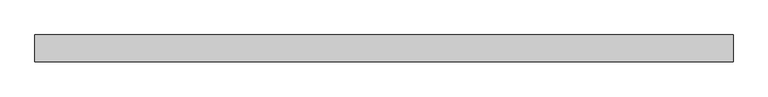
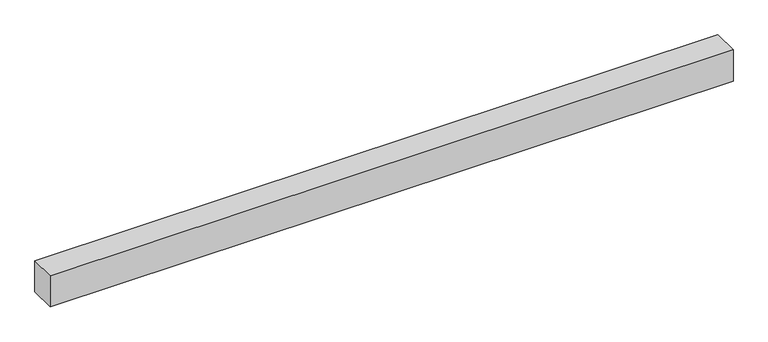
"""IFC4 building model written with IfcOpenShell, lengths in millimetres: proxy geometry."""

from ifc_helpers import new_model, si_unit, frame, origin, place, context, project, spatial, polyline, outline, extrude, source, transform, mapped, element, save


def generic_models_0202f899(model_context):
    return source(origin(), model_context, "Body", "SweptSolid", [
        extrude(outline(polyline([(40.0, 0.0), (-40.0, 0.0), (-40.0, 2080.0), (40.0, 2080.0), (40.0, 0.0)])), frame((2080.0, 0.0, 0.0), z_axis=(0.0, -1.9783474858313244e-12, 1.0), x_axis=(0.0, 1.0, 1.9783474858313244e-12)), (0.0, 0.0, 1.0), 100.0),
    ])


if __name__ == "__main__":
    model = new_model("IFC4")
    model_context = context("Model", 3, world=origin())
    ifc_project = project(units=[si_unit("LENGTHUNIT", "METRE", prefix="MILLI")], contexts=[model_context])
    site = spatial("IfcSite", under=ifc_project)
    building = spatial("IfcBuilding", under=site)
    placement = place(None, origin())
    generic_models_shape = generic_models_0202f899(model_context)
    element("IfcBuildingElementProxy", 1, Name="Generic Models", at=placement, inside=building, context=model_context, shape_type="MappedRepresentation", body=[
        mapped(generic_models_shape, transform((0.0, 0.0, 0.0), x_axis=(1.0, 0.0, 0.0), y_axis=(0.0, 1.0, 0.0), z_axis=(0.0, 0.0, 1.0))),
    ])
    save(model, "model.ifc")
